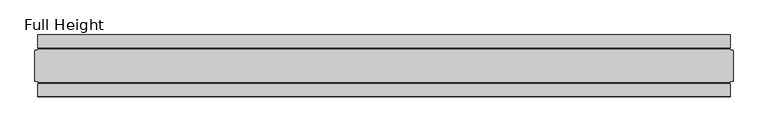
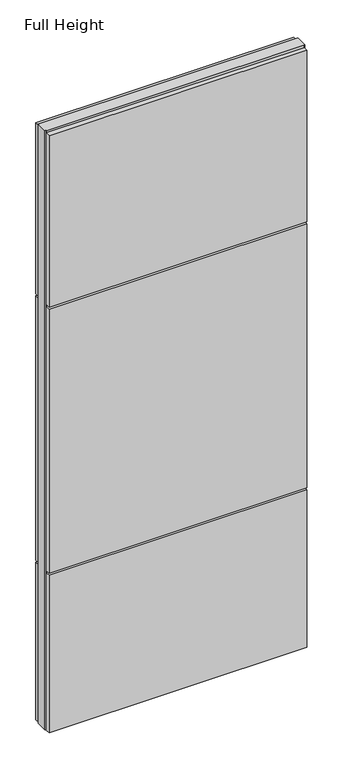
"""IFC4 building model written with IfcOpenShell, lengths in millimetres: plate geometry, Full Height."""

from ifc_helpers import new_model, si_unit, frame, origin, origin_with_axes, place, context, project, spatial, polyline, outline, extrude, source, transform, mapped, element, save


def full_height_98c0bd58(model_context):
    return source(origin(), model_context, "Body", "SweptSolid", [
        extrude(outline(polyline([(558.19675, 28.956), (-558.19675, 28.956), (-558.19675, 49.53), (558.19675, 49.53), (558.19675, 28.956)])), frame((0.0, 0.0, 1949.196), z_axis=(0.0, 0.0, 1.0), x_axis=(1.0, 0.0, 0.0)), (0.0, 0.0, 1.0), 784.86),
        extrude(outline(polyline([(558.19675, 28.956), (-558.19675, 28.956), (-558.19675, 49.53), (558.19675, 49.53), (558.19675, 28.956)])), frame((0.0, 0.0, 729.996), z_axis=(0.0, 0.0, 1.0), x_axis=(1.0, 0.0, 0.0)), (0.0, 0.0, 1.0), 1210.056),
        extrude(outline(polyline([(558.19675, 28.956), (-558.19675, 28.956), (-558.19675, 49.53), (558.19675, 49.53), (558.19675, 28.956)])), origin_with_axes(), (0.0, 0.0, 1.0), 720.852),
        extrude(outline(polyline([(558.19675, -28.956), (558.19675, -49.53), (-558.19675, -49.53), (-558.19675, -28.956), (558.19675, -28.956)])), frame((0.0, 0.0, 1949.196), z_axis=(0.0, 0.0, 1.0), x_axis=(1.0, 0.0, 0.0)), (0.0, 0.0, 1.0), 784.86),
        extrude(outline(polyline([(558.19675, -28.956), (558.19675, -49.53), (-558.19675, -49.53), (-558.19675, -28.956), (558.19675, -28.956)])), frame((0.0, 0.0, 729.996), z_axis=(0.0, 0.0, 1.0), x_axis=(1.0, 0.0, 0.0)), (0.0, 0.0, 1.0), 1210.056),
        extrude(outline(polyline([(558.19675, -28.956), (558.19675, -49.53), (-558.19675, -49.53), (-558.19675, -28.956), (558.19675, -28.956)])), origin_with_axes(), (0.0, 0.0, 1.0), 720.852),
        extrude(outline(polyline([(558.19675, -25.146), (558.19675, -26.67), (-558.19675, -26.67), (-558.19675, -25.146), (-562.76875, -25.146), (-562.76875, 25.146), (-558.19675, 25.146), (-558.19675, 26.67), (558.19675, 26.67), (558.19675, 25.146), (562.76875, 25.146), (562.76875, -25.146), (558.19675, -25.146)])), origin_with_axes(), (0.0, 0.0, 1.0), 2743.2),
    ])


if __name__ == "__main__":
    model = new_model("IFC4")
    model_context = context("Model", 3, world=origin())
    ifc_project = project(units=[si_unit("LENGTHUNIT", "METRE", prefix="MILLI")], contexts=[model_context])
    site = spatial("IfcSite", under=ifc_project)
    building = spatial("IfcBuilding", under=site)
    placement = place(None, origin())
    full_height_shape = full_height_98c0bd58(model_context)
    element("IfcPlate", 1, ObjectType="Full Height", at=placement, inside=building, context=model_context, shape_type="MappedRepresentation", body=[
        mapped(full_height_shape, transform((0.0, 0.0, 0.0), x_axis=(1.0, 0.0, 0.0), y_axis=(0.0, 1.0, 0.0), z_axis=(0.0, 0.0, 1.0))),
    ])
    save(model, "model.ifc")
